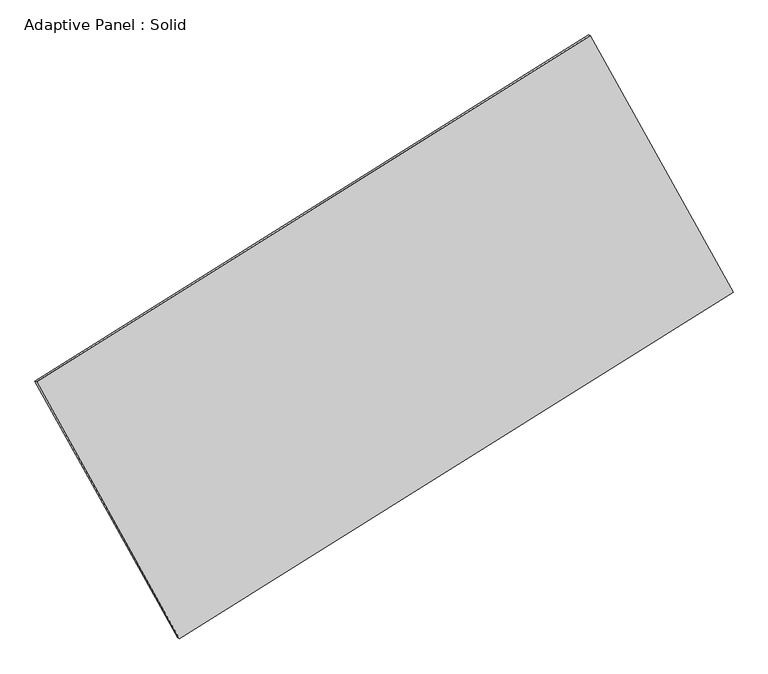
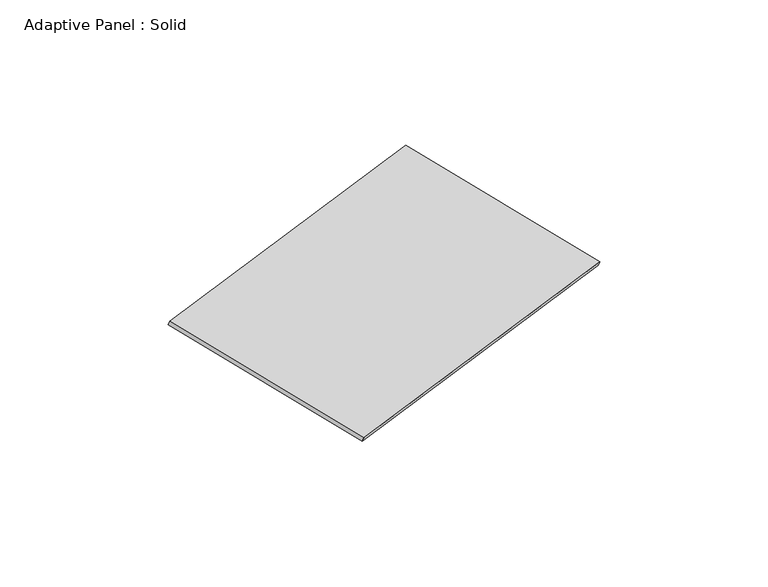
"""IFC4 building model written with IfcOpenShell, lengths in millimetres: plate geometry, Adaptive Panel : Solid."""

from ifc_helpers import new_model, si_unit, frame, origin, place, context, project, spatial, polyline, outline, extrude, source, transform, mapped, element, save


def adaptive_panel_solid_acc39300(model_context):
    return source(origin(), model_context, "Body", "SweptSolid", [
        extrude(outline(polyline([(-1345.4551968, 2942.0419517), (1346.1768068, 2942.0419517), (1345.4551563, -2942.372047), (-1346.1767663, -2941.7118564), (-1345.4551968, 2942.0419517)])), frame((-650.8226445, -100.0621432, 871.2806301), z_axis=(0.2933271166111761, -0.12760186928687126, 0.9474581603506667), x_axis=(0.4694940614413702, -0.8440839550717479, -0.25903205025965903)), (0.0, 0.0, 1.0), 50.0),
    ])


if __name__ == "__main__":
    model = new_model("IFC4")
    model_context = context("Model", 3, world=origin())
    ifc_project = project(units=[si_unit("LENGTHUNIT", "METRE", prefix="MILLI")], contexts=[model_context])
    site = spatial("IfcSite", under=ifc_project)
    building = spatial("IfcBuilding", under=site)
    placement = place(None, origin())
    adaptive_panel_solid_shape = adaptive_panel_solid_acc39300(model_context)
    element("IfcPlate", 1, ObjectType="Adaptive Panel : Solid", at=placement, inside=building, context=model_context, shape_type="MappedRepresentation", body=[
        mapped(adaptive_panel_solid_shape, transform((0.0, 0.0, 0.0), x_axis=(1.0, 0.0, 0.0), y_axis=(0.0, 1.0, 0.0), z_axis=(0.0, 0.0, 1.0))),
    ])
    save(model, "model.ifc")
